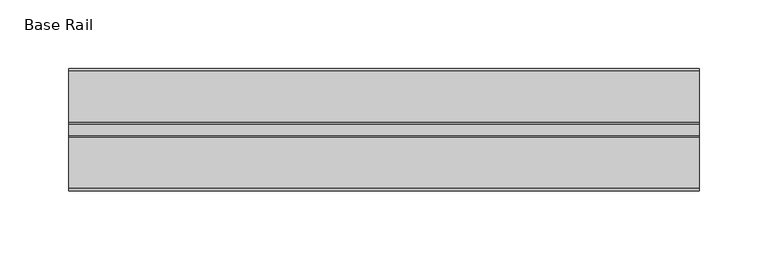
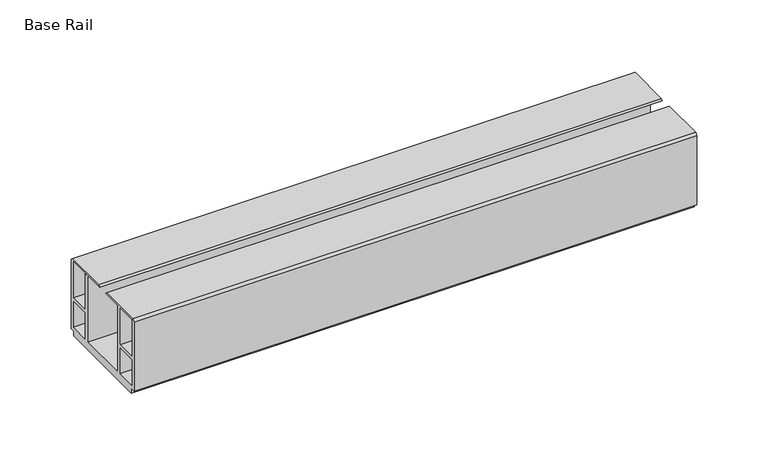
"""IFC4 building model written with IfcOpenShell, lengths in millimetres: furniture geometry, Base Rail."""

from ifc_helpers import new_model, si_unit, frame, origin, place, context, project, spatial, polyline, outline, extrude, source, transform, mapped, element, save


def base_rail_1c20620d(model_context):
    return source(origin(), model_context, "Body", "SweptSolid", [
        extrude(outline(polyline([(-28.948195, 4.0000001), (-28.948195, 63.5), (-27.0760904, 65.0875), (9.945555, 65.0875), (11.0906449, 63.9424102), (-26.1481963, 63.9424102), (-26.1481963, 32.0000002), (-9.1450707, 32.0000002), (-9.1450707, 29.4000001), (-26.1481963, 29.4000001), (-26.1481963, 6.6000002), (-8.7481957, 6.6000002), (-8.7481957, 63.5), (-5.4481956, 63.5), (-5.4481956, 6.6000002), (36.4518057, 6.6000002), (36.4518057, 63.5), (39.7518058, 63.5), (39.7518058, 6.6000002), (57.1518064, 6.6000002), (57.1518064, 29.4000001), (40.1486808, 29.4000001), (40.1486808, 32.0000002), (57.1518064, 32.0000002), (57.1518064, 63.9424102), (19.9129652, 63.9424102), (21.058055, 65.0875), (58.0797005, 65.0875), (59.951805, 63.5), (59.951805, 4.0000001), (55.9518063, 4.0000001), (55.9518063, 0.0), (-24.9481962, 0.0), (-24.9481962, 4.0000001), (-28.948195, 4.0000001)])), frame((-198.6228469, 0.0, 0.0), z_axis=(1.0, 0.0, 0.0), x_axis=(0.0, 1.0, 0.0)), (0.0, 0.0, 1.0), 457.2),
    ])


if __name__ == "__main__":
    model = new_model("IFC4")
    model_context = context("Model", 3, world=origin())
    ifc_project = project(units=[si_unit("LENGTHUNIT", "METRE", prefix="MILLI")], contexts=[model_context])
    site = spatial("IfcSite", under=ifc_project)
    building = spatial("IfcBuilding", under=site)
    placement = place(None, origin())
    base_rail_shape = base_rail_1c20620d(model_context)
    element("IfcFurniture", 1, ObjectType="Base Rail", at=placement, inside=building, context=model_context, shape_type="MappedRepresentation", body=[
        mapped(base_rail_shape, transform((0.0, 0.0, 0.0), x_axis=(1.0, 0.0, 0.0), y_axis=(0.0, 1.0, 0.0), z_axis=(0.0, 0.0, 1.0))),
    ])
    save(model, "model.ifc")
